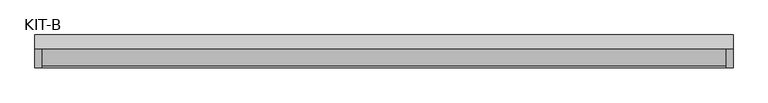
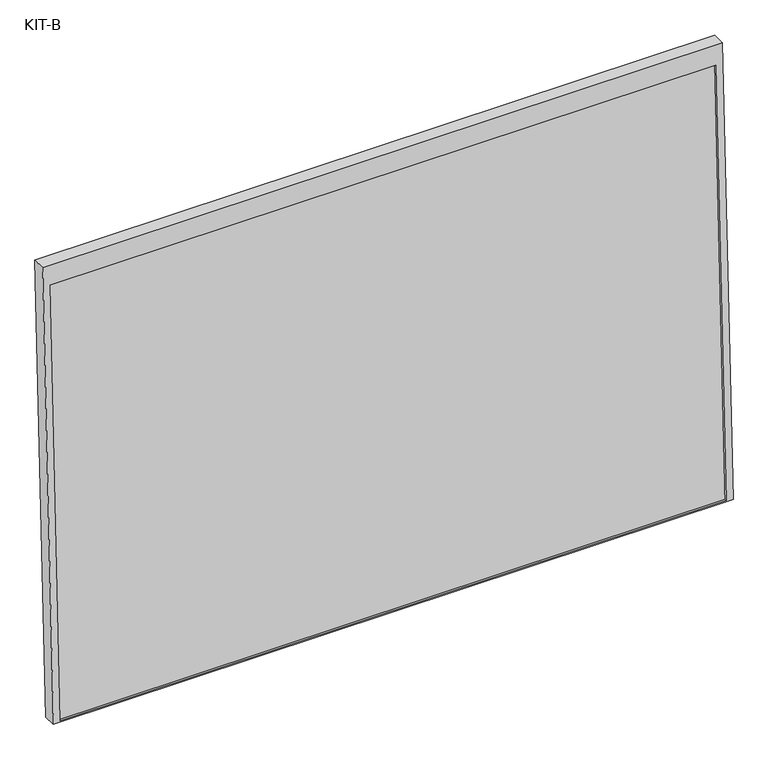
"""IFC4 building model written with IfcOpenShell, lengths in millimetres: plate geometry, KIT-B."""

from ifc_helpers import new_model, si_unit, frame, origin, place, context, project, spatial, polyline, outline, extrude, source, transform, mapped, element, save


def kit_b_11d10a77(model_context):
    return source(origin(), model_context, "Body", "SweptSolid", [
        extrude(outline(polyline([(0.0, 0.0), (0.0, -1791.0), (-1245.0, -1791.0), (-1245.0, 0.0), (0.0, 0.0)]), holes=[polyline([(-55.0, -18.5), (-1241.0441175, -18.5), (-1241.0441175, -1772.5), (-55.0, -1772.5), (-55.0, -18.5)])]), frame((-895.5, 12.1329432, 1189.9344193), z_axis=(0.0, -0.9992101801000247, 0.03973683410233422), x_axis=(0.0, 0.03973683410233422, 0.9992101801000247)), (0.0, 0.0, 1.0), 35.0),
        extrude(outline(polyline([(0.0, -1754.0), (0.0, 0.0), (27.4505712, 0.0), (27.4505712, -1754.0), (0.0, -1754.0)])), frame((-877.0, -67.1585264, -48.9373919), z_axis=(0.0, 0.03973683410233643, 0.9992101801000245), x_axis=(0.0, 0.9992101801000245, -0.03973683410233643)), (0.0, 0.0, 1.0), 1186.0441176),
    ])


if __name__ == "__main__":
    model = new_model("IFC4")
    model_context = context("Model", 3, world=origin())
    ifc_project = project(units=[si_unit("LENGTHUNIT", "METRE", prefix="MILLI")], contexts=[model_context])
    site = spatial("IfcSite", under=ifc_project)
    building = spatial("IfcBuilding", under=site)
    placement = place(None, origin())
    kit_b_shape = kit_b_11d10a77(model_context)
    element("IfcPlate", 1, ObjectType="KIT-B", at=placement, inside=building, context=model_context, shape_type="MappedRepresentation", body=[
        mapped(kit_b_shape, transform((0.0, 0.0, 0.0), x_axis=(1.0, 0.0, 0.0), y_axis=(0.0, 1.0, 0.0), z_axis=(0.0, 0.0, 1.0))),
    ])
    save(model, "model.ifc")
